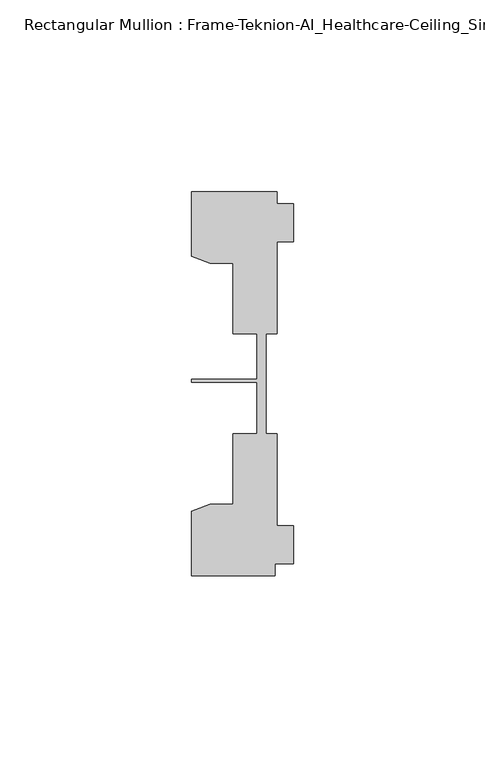
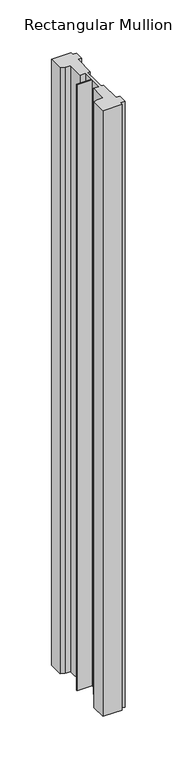
"""IFC4 building model written with IfcOpenShell, lengths in millimetres: member geometry, Rectangular Mullion : Frame-Teknion-AI_Healthcare-Ceiling_Single_Channel."""

from ifc_helpers import new_model, si_unit, frame, origin, place, context, project, spatial, polyline, outline, extrude, source, transform, mapped, element, save


def rectangular_mullion_frame_teknion_ai_healthcare_ceiling_2b6ceac8(model_context):
    return source(origin(), model_context, "Body", "SweptSolid", [
        extrude(outline(polyline([(-26.4921999, -34.0201677), (-21.6625199, -32.2880982), (-15.6737764, -32.2880982), (-15.6737764, -13.9110722), (-9.4507761, -13.9110722), (-9.4507761, -0.4036528), (-26.4921999, -0.4036528), (-26.4921999, 0.4036528), (-9.4507761, 0.4036528), (-9.4507761, 12.2509301), (-15.6737764, 12.2509301), (-15.6737764, 30.6279561), (-21.6625199, 30.6279561), (-26.4921999, 32.3600207), (-26.4921999, 49.1699293), (-4.2672007, 49.1699293), (-4.2672007, 46.1219322), (0.0, 46.1219322), (0.0, 36.1219249), (-4.2672007, 36.1219249), (-4.2672007, 12.2509301), (-7.1647766, 12.2509301), (-7.1647766, -0.0814804), (-7.1647766, -13.9110722), (-4.2672007, -13.9110722), (-4.2672007, -37.7820716), (0.0, -37.7820716), (0.0, -47.782071), (-4.7752002, -47.782071), (-4.7752002, -50.8315128), (-26.4921999, -50.8315128), (-26.4921999, -34.0201677)])), frame((0.0, 0.0, -717.55), z_axis=(0.0, 0.0, 1.0), x_axis=(1.0, 0.0, 0.0)), (0.0, 0.0, 1.0), 717.55),
    ])


if __name__ == "__main__":
    model = new_model("IFC4")
    model_context = context("Model", 3, world=origin())
    ifc_project = project(units=[si_unit("LENGTHUNIT", "METRE", prefix="MILLI")], contexts=[model_context])
    site = spatial("IfcSite", under=ifc_project)
    building = spatial("IfcBuilding", under=site)
    placement = place(None, origin())
    rectangular_mullion_frame_teknion_ai_healthcare_ceiling_shape = rectangular_mullion_frame_teknion_ai_healthcare_ceiling_2b6ceac8(model_context)
    element("IfcMember", 1, ObjectType="Rectangular Mullion : Frame-Teknion-AI_Healthcare-Ceiling_Single_Channel", at=placement, inside=building, context=model_context, shape_type="MappedRepresentation", body=[
        mapped(rectangular_mullion_frame_teknion_ai_healthcare_ceiling_shape, transform((0.0, 0.0, 0.0), x_axis=(1.0, 0.0, 0.0), y_axis=(0.0, 1.0, 0.0), z_axis=(0.0, 0.0, 1.0))),
    ])
    save(model, "model.ifc")
